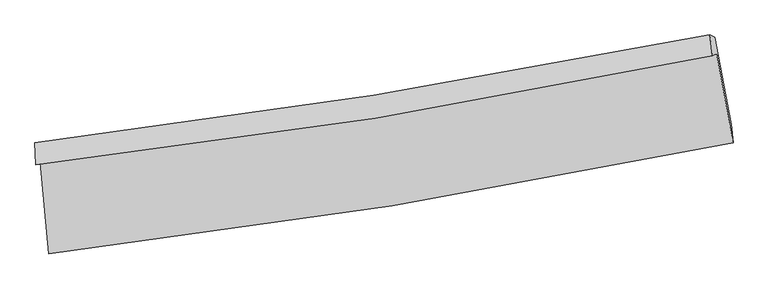
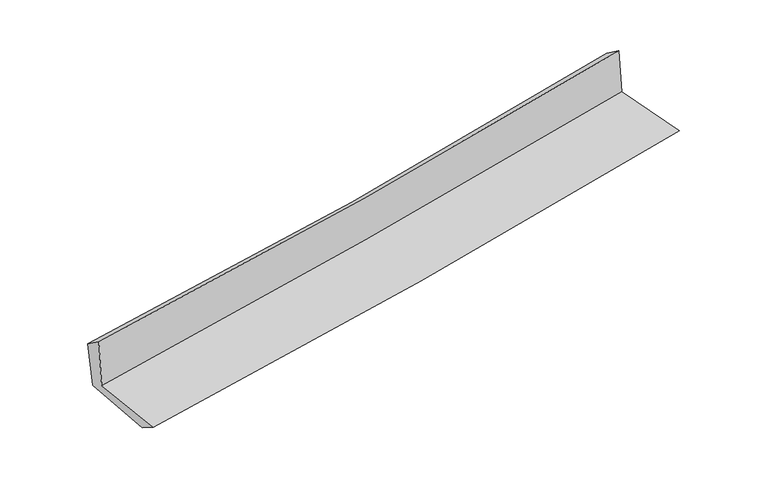
"""IFC4 building model written with IfcOpenShell, lengths in millimetres: proxy geometry."""

from ifc_helpers import new_model, si_unit, frame, origin, place, context, project, spatial, source, transform, mapped, element, save
from ifc_brep_helpers import plane_surface, spline_curve, spline_surface, advanced_brep


def generic_models_1f8ce62c(model_context):
    return source(origin(), model_context, "Body", "AdvancedBrep", [
        advanced_brep(
        [(-2527.2323192, -1878.0675074, 1638.7030327), (-2465.6332463, -2555.5541795, 1644.3692239), (2598.0686032, -1737.1890213, 2111.0595164), (2477.579824, -1078.1675853, 2115.1843539), (-2561.6303457, -1897.0347101, 2065.658844), (2445.6520787, -1091.4466668, 2511.9348856), (-2566.7777119, -1736.4351315, 1952.6046598), (2427.0231984, -937.6858859, 2403.3591375), (-2532.8006929, -1752.5633228, 1568.6188456), (2463.960772, -953.316594, 2009.612714), (-2471.6716762, -2395.9389242, 1542.9088446), (2583.8507551, -1598.5473304, 1983.3671723)],
        [
            (0, 1),
            (1, 2, spline_curve(3, [(-2465.6332463, -2555.5541795, 1644.3692239), (-1614.563515975, -2455.480749525, 1728.738545889), (-766.578191669, -2337.148863199, 1809.854505264), (921.308457495, -2064.277795818, 1965.403203663), (1761.22374947, -1909.821295961, 2039.850675121), (2598.0686032, -1737.1890213, 2111.0595164)], [4, 2, 4], [0.0, 8.411722630709013, 16.804377899376597])),
            (2, 3),
            (3, 0, spline_curve(3, [(2477.579824, -1078.1675853, 2115.1843539), (1648.433192344, -1244.316428298, 2047.251138836), (817.267723875, -1393.992254476, 1973.629270611), (-850.993807087, -1660.70049719, 1814.828041179), (-1688.099052928, -1777.657978636, 1729.622802275), (-2527.2323192, -1878.0675074, 1638.7030327)], [4, 2, 4], [0.0, 8.392655268667584, 16.804377899376597])),
            (4, 0),
            (3, 5),
            (5, 4, spline_curve(3, [(2445.6520787, -1091.4466668, 2511.9348856), (1617.319003723, -1266.786692436, 2449.128576733), (786.355385112, -1421.536259125, 2380.584467862), (-882.726790082, -1690.159272368, 2231.851888486), (-1720.857313021, -1803.939053473, 2151.63731667), (-2561.6303457, -1897.0347101, 2065.658844)], [4, 2, 4], [0.0, 8.344447698771825, 16.707853236298476])),
            (6, 4),
            (5, 7),
            (7, 6, spline_curve(3, [(2427.0231984, -937.6858859, 2403.3591375), (1600.984108774, -1103.16444823, 2321.341530554), (772.289695769, -1252.409081414, 2242.808517149), (-892.298528604, -1518.732677807, 2092.541172953), (-1728.204419184, -1635.737793329, 2020.822694143), (-2566.7777119, -1736.4351315, 1952.6046598)], [4, 2, 4], [0.0, 8.333309879927725, 16.68555229448215])),
            (8, 6),
            (7, 9),
            (9, 8, spline_curve(3, [(2463.960772, -953.316594, 2009.612714), (1636.585540865, -1118.679869002, 1939.190060281), (806.976145786, -1267.908155835, 1867.272640528), (-858.600845942, -1534.397130036, 1720.281484154), (-1694.578605955, -1651.584419256, 1645.200947536), (-2532.8006929, -1752.5633228, 1568.6188456)], [4, 2, 4], [0.0, 8.323069723262742, 16.66504871643223])),
            (10, 8),
            (9, 11),
            (11, 10, spline_curve(3, [(2583.8507551, -1598.5473304, 1983.3671723), (1747.002297404, -1760.689216189, 1914.906194865), (907.765273434, -1908.150736846, 1844.015253556), (-777.398004691, -2174.014715663, 1697.206865107), (-1623.335124484, -2292.350392636, 1621.278363797), (-2471.6716762, -2395.9389242, 1542.9088446)], [4, 2, 4], [0.0, 8.371747035621345, 16.762513931648893])),
            (1, 10),
            (11, 2),
        ],
        [
            spline_surface(3, 3, [[(-2527.2323192, -1878.0675074, 1638.7030327), (-1688.099052897, -1777.657978561, 1729.622802373), (-850.993806984, -1660.700497257, 1814.828041163), (817.267723771, -1393.99225441, 1973.629270627), (1648.433192241, -1244.316428371, 2047.251138938), (2477.579824, -1078.1675853, 2115.1843539)], [(-2506.699294904, -2103.896398097, 1640.591763094), (-1663.587207291, -2003.598902179, 1729.32805018), (-822.855268528, -1886.183285896, 1813.170195872), (851.947968352, -1617.420768205, 1970.8872483), (1686.030044671, -1466.151384242, 2044.784317635), (2517.742750391, -1297.841397286, 2113.809408073)], [(-2486.166270596, -2329.725288803, 1642.480493506), (-1639.075361674, -2229.539825805, 1729.033298004), (-794.716730108, -2111.666074558, 1811.512350576), (886.628212898, -1840.849282025, 1968.145225968), (1723.626897128, -1687.986340157, 2042.317496314), (2557.905676809, -1517.515209314, 2112.434462227)], [(-2465.6332463, -2555.5541795, 1644.3692239), (-1614.563516069, -2455.480749423, 1728.738545811), (-766.578191653, -2337.148863196, 1809.854505285), (921.308457479, -2064.27779582, 1965.403203642), (1761.223749558, -1909.821296028, 2039.850675011), (2598.0686032, -1737.1890213, 2111.0595164)]], [4, 4], [4, 2, 4], [0.0, 2.2308522515353566], [0.0, 8.411722630709013, 16.804377899376597]),
            spline_surface(3, 3, [[(-2561.6303457, -1897.0347101, 2065.658844), (-1720.857313034, -1803.939053484, 2151.637316789), (-882.726790076, -1690.159272446, 2231.851888474), (786.355385106, -1421.536259047, 2380.584467874), (1617.31900359, -1266.786692303, 2449.128576684), (2445.6520787, -1091.4466668, 2511.9348856)], [(-2550.164336866, -1890.712309227, 1923.340240252), (-1709.937892988, -1795.178695204, 2010.965812002), (-872.149129056, -1680.339680726, 2092.843939386), (796.659497984, -1412.354924177, 2244.932735474), (1627.690399804, -1259.296604333, 2315.169430751), (2456.294660463, -1087.020306307, 2379.684708349)], [(-2538.698328034, -1884.389908273, 1781.021636448), (-1699.018472943, -1786.418336842, 1870.29430716), (-861.571468004, -1670.520088977, 1953.83599025), (806.963610893, -1403.173589279, 2109.281003026), (1638.061796028, -1251.806516341, 2181.210284871), (2466.937242237, -1082.593945793, 2247.434531151)], [(-2527.2323192, -1878.0675074, 1638.7030327), (-1688.099052897, -1777.657978561, 1729.622802373), (-850.993806984, -1660.700497257, 1814.828041163), (817.267723771, -1393.99225441, 1973.629270627), (1648.433192241, -1244.316428371, 2047.251138938), (2477.579824, -1078.1675853, 2115.1843539)]], [4, 4], [4, 2, 4], [0.0, 1.3588318393818297], [0.0, 8.363405537526651, 16.707853236298476]),
            spline_surface(3, 3, [[(-2566.7777119, -1736.4351315, 1952.6046598), (-1728.204419136, -1635.737793195, 2020.822694121), (-892.298528628, -1518.732677807, 2092.541173091), (772.289695792, -1252.409081415, 2242.808517011), (1600.984108706, -1103.164448262, 2321.341530611), (2427.0231984, -937.6858859, 2403.3591375)], [(-2565.06192317, -1789.968324353, 1990.289387852), (-1725.755383772, -1691.804879944, 2064.427568329), (-889.107949122, -1575.874875997, 2138.978078214), (776.978258885, -1308.78480727, 2288.73383396), (1606.429073671, -1157.705196265, 2363.937212642), (2433.23282517, -988.939479523, 2439.55105354)], [(-2563.34613443, -1843.501517247, 2027.974115948), (-1723.306348398, -1747.871966736, 2108.032442581), (-885.917369582, -1633.017074255, 2185.414983352), (781.666822013, -1365.160533192, 2334.659150925), (1611.874038625, -1212.2459443, 2406.532894653), (2439.44245193, -1040.193073177, 2475.74296956)], [(-2561.6303457, -1897.0347101, 2065.658844), (-1720.857313034, -1803.939053484, 2151.637316789), (-882.726790076, -1690.159272446, 2231.851888474), (786.355385106, -1421.536259047, 2380.584467874), (1617.31900359, -1266.786692303, 2449.128576684), (2445.6520787, -1091.4466668, 2511.9348856)]], [4, 4], [4, 2, 4], [0.0, 0.7212580845553127], [0.0, 8.352242414554425, 16.68555229448215]),
            spline_surface(3, 3, [[(-2532.8006929, -1752.5633228, 1568.6188456), (-1694.578605924, -1651.584419294, 1645.200947569), (-858.600845988, -1534.39712996, 1720.281484101), (806.976145831, -1267.90815591, 1867.272640581), (1636.585540812, -1118.679868982, 1939.190060161), (2463.960772, -953.316594, 2009.612714)], [(-2544.126365889, -1747.187259044, 1696.614117012), (-1705.787210317, -1646.302210604, 1770.408196431), (-869.83340686, -1529.175645913, 1844.36804709), (795.413995826, -1262.74179775, 1992.45126605), (1624.718396768, -1113.508062092, 2066.573883643), (2451.648247458, -948.106357984, 2140.861521832)], [(-2555.452038911, -1741.811195256, 1824.609388388), (-1716.995814743, -1641.020001884, 1895.615445259), (-881.065967756, -1523.954161853, 1968.454610102), (783.851845797, -1257.575439575, 2117.629891542), (1612.85125275, -1108.336255151, 2193.957707129), (2439.335722942, -942.896121916, 2272.110329668)], [(-2566.7777119, -1736.4351315, 1952.6046598), (-1728.204419136, -1635.737793195, 2020.822694121), (-892.298528628, -1518.732677807, 2092.541173091), (772.289695792, -1252.409081415, 2242.808517011), (1600.984108706, -1103.164448262, 2321.341530611), (2427.0231984, -937.6858859, 2403.3591375)]], [4, 4], [4, 2, 4], [0.0, 1.232865267878534], [0.0, 8.341978993169489, 16.66504871643223]),
            spline_surface(3, 3, [[(-2471.6716762, -2395.9389242, 1542.9088446), (-1623.335124575, -2292.350392693, 1621.278363663), (-777.398004734, -2174.014715598, 1697.206864983), (907.765273477, -1908.150736911, 1844.015253679), (1747.002297421, -1760.689216128, 1914.90619494), (2583.8507551, -1598.5473304, 1983.3671723)], [(-2492.048015114, -2181.480390378, 1551.478844917), (-1647.082951706, -2078.761734871, 1629.252558282), (-804.465618496, -1960.808853732, 1704.898404683), (874.168897584, -1694.736543258, 1851.767715974), (1710.196711905, -1546.686100415, 1923.000816682), (2543.88742742, -1383.470418269, 1992.115686202)], [(-2512.424353986, -1967.021856622, 1560.048845283), (-1670.830778794, -1865.173077115, 1637.22675295), (-831.533232226, -1747.602991826, 1712.5899444), (840.572521725, -1481.322349564, 1859.520178286), (1673.391126328, -1332.682984694, 1931.095438419), (2503.92409968, -1168.393506131, 2000.864200098)], [(-2532.8006929, -1752.5633228, 1568.6188456), (-1694.578605924, -1651.584419294, 1645.200947569), (-858.600845988, -1534.39712996, 1720.281484101), (806.976145831, -1267.90815591, 1867.272640581), (1636.585540812, -1118.679868982, 1939.190060161), (2463.960772, -953.316594, 2009.612714)]], [4, 4], [4, 2, 4], [0.0, 2.1219768639541985], [0.0, 8.390766896027548, 16.762513931648893]),
            spline_surface(3, 3, [[(-2465.6332463, -2555.5541795, 1644.3692239), (-1614.563516069, -2455.480749423, 1728.738545811), (-766.578191653, -2337.148863196, 1809.854505285), (921.308457479, -2064.27779582, 1965.403203642), (1761.223749558, -1909.821296028, 2039.850675011), (2598.0686032, -1737.1890213, 2111.0595164)], [(-2467.646056257, -2502.349094402, 1610.549097473), (-1617.487385561, -2401.103963848, 1692.918485101), (-770.184796, -2282.770813999, 1772.305291851), (916.794062825, -2012.235442853, 1924.940553655), (1756.48326551, -1860.110602726, 1998.202514992), (2593.329320498, -1690.975124331, 2068.495401704)], [(-2469.658866243, -2449.144009298, 1576.728971027), (-1620.411255083, -2346.727178268, 1657.098424373), (-773.791400387, -2228.392764794, 1734.756078417), (912.279668131, -1960.193089878, 1884.477903667), (1751.742781468, -1810.39990943, 1956.55435496), (2588.590037802, -1644.761227369, 2025.931286996)], [(-2471.6716762, -2395.9389242, 1542.9088446), (-1623.335124575, -2292.350392693, 1621.278363663), (-777.398004734, -2174.014715598, 1697.206864983), (907.765273477, -1908.150736911, 1844.015253679), (1747.002297421, -1760.689216128, 1914.90619494), (2583.8507551, -1598.5473304, 1983.3671723)]], [4, 4], [4, 2, 4], [0.0, 0.6505965890940726], [0.0, 8.449392610372662, 16.879632469875485]),
            plane_surface(frame((2499.3558719, -1232.7255139, 2189.0862966), z_axis=(0.9802395390166324, 0.1786858680966449, 0.08486345910348206), x_axis=(-0.09332761456999926, 0.03949302980785216, 0.9948518768918666))),
            plane_surface(frame((-2520.9576654, -2035.9322959, 1735.4772418), z_axis=(-0.9923098640532394, -0.0909261367380221, -0.08398554256858881), x_axis=(-0.09054627397258234, 0.9958574203667974, -0.008328899691438628))),
        ],
        [
            (0, [[1, 2, 3, 4]]),
            (1, [[5, -4, 6, 7]]),
            (2, [[8, -7, 9, 10]]),
            (3, [[11, -10, 12, 13]]),
            (4, [[14, -13, 15, 16]]),
            (5, [[17, -16, 18, -2]]),
            (6, [[-12, -9, -6, -3, -18, -15]]),
            (7, [[-1, -5, -8, -11, -14, -17]]),
        ],
    ),
    ])


if __name__ == "__main__":
    model = new_model("IFC4")
    model_context = context("Model", 3, world=origin())
    ifc_project = project(units=[si_unit("LENGTHUNIT", "METRE", prefix="MILLI")], contexts=[model_context])
    site = spatial("IfcSite", under=ifc_project)
    building = spatial("IfcBuilding", under=site)
    placement = place(None, origin())
    generic_models_shape = generic_models_1f8ce62c(model_context)
    element("IfcBuildingElementProxy", 1, Name="Generic Models", at=placement, inside=building, context=model_context, shape_type="MappedRepresentation", body=[
        mapped(generic_models_shape, transform((0.0, 0.0, 0.0), x_axis=(1.0, 0.0, 0.0), y_axis=(0.0, 1.0, 0.0), z_axis=(0.0, 0.0, 1.0))),
    ])
    save(model, "model.ifc")
